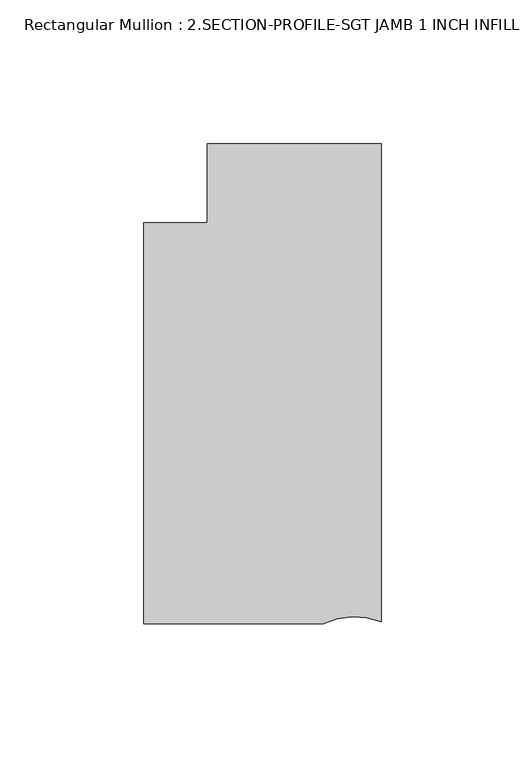
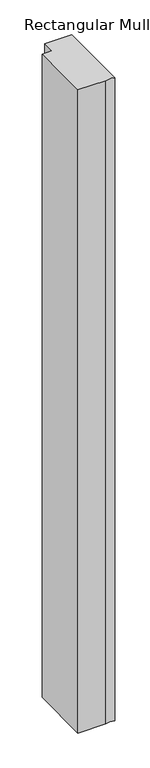
"""IFC4 building model written with IfcOpenShell, lengths in millimetres: member geometry, Rectangular Mullion : 2.SECTION-PROFILE-SGT JAMB 1 INCH INFILL DETAIL 5."""

from ifc_helpers import new_model, si_unit, point, frame, frame_2d, origin, place, context, project, spatial, polyline, circle_curve, trimmed, segment, composite_curve, outline, extrude, source, transform, mapped, element, save


def rectangular_mullion_2_section_profile_sgt_jamb_1_inch_infill_9469cc51(model_context):
    return source(origin(), model_context, "Body", "SweptSolid", [
        extrude(outline(composite_curve([segment(polyline([(-20.0963261, -85.5936319), (-82.7668749, -85.5936319), (-82.7668749, 54.1063631), (-60.5419882, 54.1063631), (-60.5419882, 81.6658299), (0.0, 81.6658299), (0.0, -84.8789353)]), True, "CONTINUOUS"), segment(trimmed(circle_curve(frame_2d((-9.2332881, -108.1494966)), 25.0354275), [point((0.0, -84.8789353))], [point((-20.0963261, -85.5936319))], True, "CARTESIAN"), True, "CONTINUOUS")], self_intersect=False)), frame((0.0, 0.0, -1524.0), z_axis=(0.0, 0.0, 1.0), x_axis=(1.0, 0.0, 0.0)), (0.0, 0.0, 1.0), 1524.0),
    ])


if __name__ == "__main__":
    model = new_model("IFC4")
    model_context = context("Model", 3, world=origin())
    ifc_project = project(units=[si_unit("LENGTHUNIT", "METRE", prefix="MILLI")], contexts=[model_context])
    site = spatial("IfcSite", under=ifc_project)
    building = spatial("IfcBuilding", under=site)
    placement = place(None, origin())
    rectangular_mullion_2_section_profile_sgt_jamb_1_inch_infill_shape = rectangular_mullion_2_section_profile_sgt_jamb_1_inch_infill_9469cc51(model_context)
    element("IfcMember", 1, ObjectType="Rectangular Mullion : 2.SECTION-PROFILE-SGT JAMB 1 INCH INFILL DETAIL 5", at=placement, inside=building, context=model_context, shape_type="MappedRepresentation", body=[
        mapped(rectangular_mullion_2_section_profile_sgt_jamb_1_inch_infill_shape, transform((0.0, 0.0, 0.0), x_axis=(1.0, 0.0, 0.0), y_axis=(0.0, 1.0, 0.0), z_axis=(0.0, 0.0, 1.0))),
    ])
    save(model, "model.ifc")
